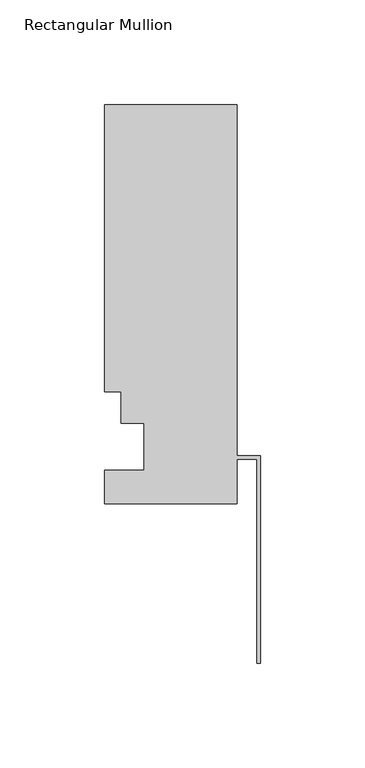
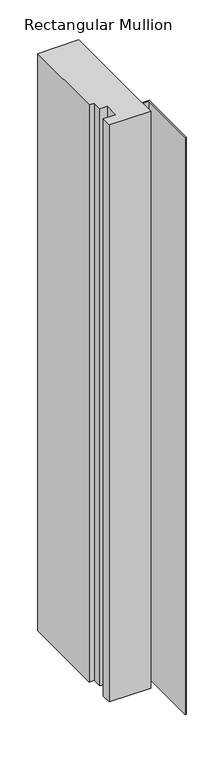
"""IFC4 building model written with IfcOpenShell, lengths in millimetres: member geometry, Rectangular Mullion."""

import ifcopenshell
import ifcopenshell.guid

model = None  # the IFC model being written
_history = None  # IfcOwnerHistory: only IFC2X3 demands one
_inside = {}  # id of a spatial element -> (the spatial element, [elements in it])
_under = {}  # id of a project, library or spatial element -> (it, [spatial elements below it])
_declared = {}  # id of a project -> (the project, [libraries it declares])
_typed = {}  # id of a type object -> (the type object, [elements of that type])
_made_of = {}  # id of a material, layer set ... -> (it, [elements and type objects made of it])


def new_model(schema):
    """Start an empty IFC model of exactly this schema.

    Asked for "IFC4X3", IfcOpenShell would pick the latest addendum, in which some entities
    have other attributes; the version numbers below select the first issue.
    IFC2X3 requires an IfcOwnerHistory on every rooted entity: one is made here for all.
    """
    global model, _history
    if schema == "IFC4X3":
        model = ifcopenshell.file(schema_version=(4, 3, 0, 0))
    else:
        model = ifcopenshell.file(schema=schema)
    _inside.clear()
    _under.clear()
    _declared.clear()
    _typed.clear()
    _made_of.clear()
    _history = None
    if model.schema == "IFC2X3":
        org = make("IfcOrganization", Name="unknown")
        user = make(
            "IfcPersonAndOrganization",
            ThePerson=make("IfcPerson", FamilyName="unknown"),
            TheOrganization=org,
        )
        app = make(
            "IfcApplication",
            ApplicationDeveloper=org,
            Version="unknown",
            ApplicationFullName="unknown",
            ApplicationIdentifier="unknown",
        )
        _history = make(
            "IfcOwnerHistory",
            OwningUser=user,
            OwningApplication=app,
            ChangeAction="ADDED",
            CreationDate=0,
        )
    return model


def make(cls, **values):
    """One entity of the class cls with the attributes given. An attribute that is None is left unset."""
    return model.create_entity(
        cls, **{name: value for name, value in values.items() if value is not None}
    )


def rooted(cls, **values):
    """An entity with a GlobalId (a new one), such as an element, a storey or a relation."""
    return make(cls, GlobalId=ifcopenshell.guid.new(), OwnerHistory=_history, **values)


def si_unit(unit_type, name, prefix=None):
    """IfcSIUnit, for example si_unit("LENGTHUNIT", "METRE", prefix="MILLI")."""
    return make("IfcSIUnit", UnitType=unit_type, Prefix=prefix, Name=name)


def assignment(units):
    """IfcUnitAssignment: the units of a project."""
    return None if units is None else make("IfcUnitAssignment", Units=units)


def point(xyz):
    """IfcCartesianPoint."""
    return None if xyz is None else make("IfcCartesianPoint", Coordinates=xyz)


def direction(xyz):
    """IfcDirection."""
    return None if xyz is None else make("IfcDirection", DirectionRatios=xyz)


def frame(location, z_axis=None, x_axis=None):
    """IfcAxis2Placement3D, a coordinate frame: its origin and axes. An axis left out is left unset."""
    return make(
        "IfcAxis2Placement3D",
        Location=point(location),
        Axis=direction(z_axis),
        RefDirection=direction(x_axis),
    )


def origin():
    """The frame at (0, 0, 0) with its axes left unset."""
    return frame((0.0, 0.0, 0.0))


def place(relative_to, where):
    """IfcLocalPlacement: puts the frame where relative to a parent placement (None: the world)."""
    return make(
        "IfcLocalPlacement", PlacementRelTo=relative_to, RelativePlacement=where
    )


def context(
    kind, dimensions, precision=None, world=None, true_north=None, identifier=None
):
    """IfcGeometricRepresentationContext, for example the 3D "Model" context."""
    return make(
        "IfcGeometricRepresentationContext",
        ContextIdentifier=identifier,
        ContextType=kind,
        CoordinateSpaceDimension=dimensions,
        Precision=precision,
        WorldCoordinateSystem=world,
        TrueNorth=true_north,
    )


def project(units=None, contexts=None):
    """IfcProject with its units and contexts."""
    return rooted(
        "IfcProject",
        Name="project",
        RepresentationContexts=contexts,
        UnitsInContext=assignment(units),
    )


def spatial(cls, under=None, at=None, **own):
    """A site, building, storey or space (cls), placed at a placement, below another one or the project."""
    s = rooted(cls, ObjectPlacement=at, **own)
    if under is not None:
        _under.setdefault(under.id(), (under, []))[1].append(s)
    return s


def polyline(points):
    """IfcPolyline through the points."""
    return make("IfcPolyline", Points=[point(p) for p in points])


def outline(outer, holes=None, kind="AREA"):
    """IfcArbitraryClosedProfileDef: a profile drawn as a closed curve; with holes, ...WithVoids."""
    if holes is None:
        return make("IfcArbitraryClosedProfileDef", ProfileType=kind, OuterCurve=outer)
    return make(
        "IfcArbitraryProfileDefWithVoids",
        ProfileType=kind,
        OuterCurve=outer,
        InnerCurves=holes,
    )


def extrude(swept, where, along, depth):
    """IfcExtrudedAreaSolid: the profile swept, set in the frame where, extruded along a direction by depth."""
    return make(
        "IfcExtrudedAreaSolid",
        SweptArea=swept,
        Position=where,
        ExtrudedDirection=direction(along),
        Depth=depth,
    )


def shape(context_of_items, identifier, shape_type, items):
    """IfcShapeRepresentation: the items that make up one representation, for example the "Body"."""
    return make(
        "IfcShapeRepresentation",
        ContextOfItems=context_of_items,
        RepresentationIdentifier=identifier,
        RepresentationType=shape_type,
        Items=items,
    )


def source(mapping_origin, context_of_items, identifier, shape_type, items):
    """IfcRepresentationMap: a shape defined once, which mapped items show again and again."""
    return make(
        "IfcRepresentationMap",
        MappingOrigin=mapping_origin,
        MappedRepresentation=shape(context_of_items, identifier, shape_type, items),
    )


def transform(
    local_origin,
    x_axis=None,
    y_axis=None,
    z_axis=None,
    scale=None,
    scale2=None,
    scale3=None,
    uniform=True,
):
    """IfcCartesianTransformationOperator3D, or its non-uniform kind. x_axis, y_axis, z_axis: its Axis1, 2, 3."""
    if uniform:
        return make(
            "IfcCartesianTransformationOperator3D",
            Axis1=direction(x_axis),
            Axis2=direction(y_axis),
            LocalOrigin=point(local_origin),
            Scale=scale,
            Axis3=direction(z_axis),
        )
    return make(
        "IfcCartesianTransformationOperator3DnonUniform",
        Axis1=direction(x_axis),
        Axis2=direction(y_axis),
        LocalOrigin=point(local_origin),
        Scale=scale,
        Axis3=direction(z_axis),
        Scale2=scale2,
        Scale3=scale3,
    )


def mapped(mapping_source, mapping_target):
    """IfcMappedItem: shows the shape of a source again, moved by a transform."""
    return make(
        "IfcMappedItem", MappingSource=mapping_source, MappingTarget=mapping_target
    )


def made_of(thing, what):
    """Note that an element or type object is made of a material, layer set ...; save() writes the relation."""
    if what is not None:
        _made_of.setdefault(what.id(), (what, []))[1].append(thing)
    return thing


def element(
    cls,
    number,
    at=None,
    inside=None,
    cuts=None,
    type_object=None,
    material=None,
    context=None,
    identifier="Body",
    shape_type=None,
    held_by="IfcProductDefinitionShape",
    body=None,
    shapes=None,
    **own,
):
    """One element of the class cls, such as IfcWall. Its Tag is "e" and its number.

    at: its placement. inside: the storey or other place that contains it. cuts: it is an
    opening in that element (IfcRelVoidsElement). A single representation is given by context,
    identifier, shape_type and body (its items); several are given by shapes. held_by: the class
    of the entity that holds the representations. save() writes the other relations.
    """
    e = rooted(cls, Tag="e%d" % number, ObjectPlacement=at, **own)
    if body is not None:
        shapes = [shape(context, identifier, shape_type, body)]
    if shapes is not None:
        e.Representation = make(held_by, Representations=shapes)
    if inside is not None:
        _inside.setdefault(inside.id(), (inside, []))[1].append(e)
    if cuts is not None:
        rooted(
            "IfcRelVoidsElement", RelatingBuildingElement=cuts, RelatedOpeningElement=e
        )
    if type_object is not None:
        _typed.setdefault(type_object.id(), (type_object, []))[1].append(e)
    return made_of(e, material)


def aggregate(whole, parts):
    """IfcRelAggregates: a whole, such as a stair, and the parts it consists of."""
    return rooted("IfcRelAggregates", RelatingObject=whole, RelatedObjects=parts)


def save(model, path):
    """Write the relations noted so far, then the file.

    IfcRelAggregates (storeys below a building ...), IfcRelContainedInSpatialStructure (elements
    in a storey), IfcRelDefinesByType, IfcRelAssociatesMaterial and IfcRelDeclares: one each for
    every whole, place, type object, material and project.
    """
    for whole, parts in _under.values():
        aggregate(whole, parts)
    for where, things in _inside.values():
        rooted(
            "IfcRelContainedInSpatialStructure",
            RelatedElements=things,
            RelatingStructure=where,
        )
    for kind, things in _typed.values():
        rooted("IfcRelDefinesByType", RelatedObjects=things, RelatingType=kind)
    for what, things in _made_of.values():
        rooted("IfcRelAssociatesMaterial", RelatedObjects=things, RelatingMaterial=what)
    for by, libraries in _declared.values():
        rooted("IfcRelDeclares", RelatingContext=by, RelatedDefinitions=libraries)
    model.write(path)


def rectangular_mullion_6e6341bd(model_context):
    return source(origin(), model_context, "Body", "SweptSolid", [
        extrude(outline(polyline([(-11.113262, 152.4992187), (-11.113262, -15.4201813), (0.0, -15.4201813), (0.0, -114.4859488), (-1.5748, -114.4859488), (-1.5748, -16.9949813), (-11.113262, -16.9949813), (-11.113262, -38.2547813), (-74.613262, -38.2547813), (-74.613262, -22.3797813), (-55.563262, -22.3797813), (-55.563262, 0.0992187), (-66.688462, 0.0992187), (-66.688462, 15.1614187), (-74.613262, 15.1614187), (-74.613262, 152.4992187), (-11.113262, 152.4992187)])), frame((0.0, 0.0, -937.976362), z_axis=(0.0, 0.0, 1.0), x_axis=(1.0, 0.0, 0.0)), (0.0, 0.0, 1.0), 937.976362),
    ])


if __name__ == "__main__":
    model = new_model("IFC4")
    model_context = context("Model", 3, world=origin())
    ifc_project = project(units=[si_unit("LENGTHUNIT", "METRE", prefix="MILLI")], contexts=[model_context])
    site = spatial("IfcSite", under=ifc_project)
    building = spatial("IfcBuilding", under=site)
    placement = place(None, origin())
    rectangular_mullion_shape = rectangular_mullion_6e6341bd(model_context)
    element("IfcMember", 1, ObjectType="Rectangular Mullion", at=placement, inside=building, context=model_context, shape_type="MappedRepresentation", body=[
        mapped(rectangular_mullion_shape, transform((0.0, 0.0, 0.0), x_axis=(1.0, 0.0, 0.0), y_axis=(0.0, 1.0, 0.0), z_axis=(0.0, 0.0, 1.0))),
    ])
    save(model, "model.ifc")
